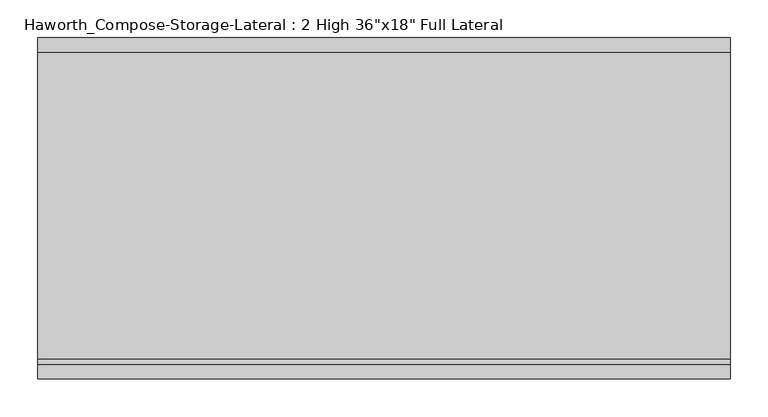
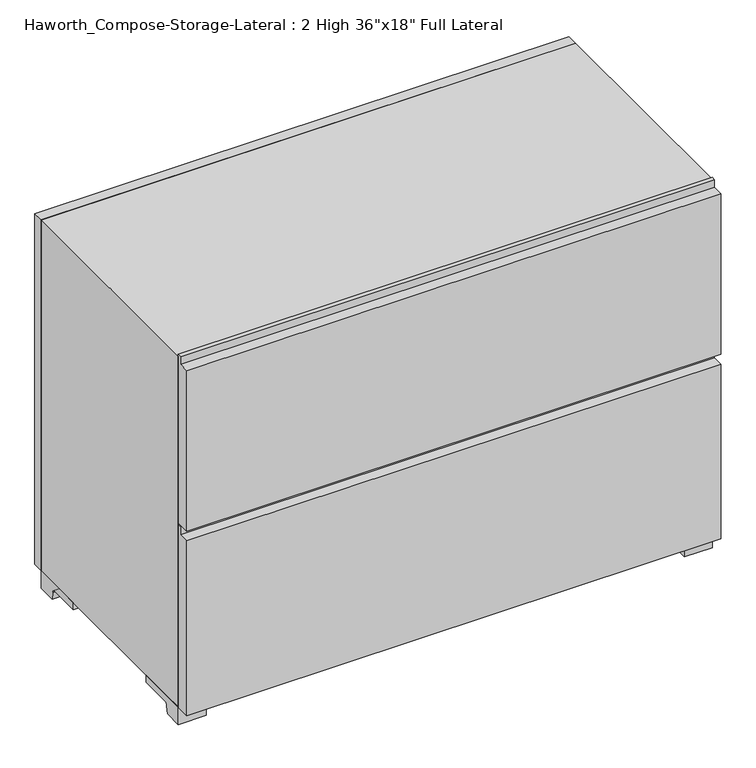
"""IFC4 building model written with IfcOpenShell, lengths in millimetres: furniture geometry."""

import ifcopenshell
import ifcopenshell.guid

model = None  # the IFC model being written
_history = None  # IfcOwnerHistory: only IFC2X3 demands one
_inside = {}  # id of a spatial element -> (the spatial element, [elements in it])
_under = {}  # id of a project, library or spatial element -> (it, [spatial elements below it])
_declared = {}  # id of a project -> (the project, [libraries it declares])
_typed = {}  # id of a type object -> (the type object, [elements of that type])
_made_of = {}  # id of a material, layer set ... -> (it, [elements and type objects made of it])


def new_model(schema):
    """Start an empty IFC model of exactly this schema.

    Asked for "IFC4X3", IfcOpenShell would pick the latest addendum, in which some entities
    have other attributes; the version numbers below select the first issue.
    IFC2X3 requires an IfcOwnerHistory on every rooted entity: one is made here for all.
    """
    global model, _history
    if schema == "IFC4X3":
        model = ifcopenshell.file(schema_version=(4, 3, 0, 0))
    else:
        model = ifcopenshell.file(schema=schema)
    _inside.clear()
    _under.clear()
    _declared.clear()
    _typed.clear()
    _made_of.clear()
    _history = None
    if model.schema == "IFC2X3":
        org = make("IfcOrganization", Name="unknown")
        user = make(
            "IfcPersonAndOrganization",
            ThePerson=make("IfcPerson", FamilyName="unknown"),
            TheOrganization=org,
        )
        app = make(
            "IfcApplication",
            ApplicationDeveloper=org,
            Version="unknown",
            ApplicationFullName="unknown",
            ApplicationIdentifier="unknown",
        )
        _history = make(
            "IfcOwnerHistory",
            OwningUser=user,
            OwningApplication=app,
            ChangeAction="ADDED",
            CreationDate=0,
        )
    return model


def make(cls, **values):
    """One entity of the class cls with the attributes given. An attribute that is None is left unset."""
    return model.create_entity(
        cls, **{name: value for name, value in values.items() if value is not None}
    )


def rooted(cls, **values):
    """An entity with a GlobalId (a new one), such as an element, a storey or a relation."""
    return make(cls, GlobalId=ifcopenshell.guid.new(), OwnerHistory=_history, **values)


def si_unit(unit_type, name, prefix=None):
    """IfcSIUnit, for example si_unit("LENGTHUNIT", "METRE", prefix="MILLI")."""
    return make("IfcSIUnit", UnitType=unit_type, Prefix=prefix, Name=name)


def assignment(units):
    """IfcUnitAssignment: the units of a project."""
    return None if units is None else make("IfcUnitAssignment", Units=units)


def point(xyz):
    """IfcCartesianPoint."""
    return None if xyz is None else make("IfcCartesianPoint", Coordinates=xyz)


def direction(xyz):
    """IfcDirection."""
    return None if xyz is None else make("IfcDirection", DirectionRatios=xyz)


def frame(location, z_axis=None, x_axis=None):
    """IfcAxis2Placement3D, a coordinate frame: its origin and axes. An axis left out is left unset."""
    return make(
        "IfcAxis2Placement3D",
        Location=point(location),
        Axis=direction(z_axis),
        RefDirection=direction(x_axis),
    )


def frame_2d(location, x_axis=None):
    """IfcAxis2Placement2D, a coordinate frame in the plane: its origin and x axis."""
    return make(
        "IfcAxis2Placement2D", Location=point(location), RefDirection=direction(x_axis)
    )


def origin():
    """The frame at (0, 0, 0) with its axes left unset."""
    return frame((0.0, 0.0, 0.0))


def place(relative_to, where):
    """IfcLocalPlacement: puts the frame where relative to a parent placement (None: the world)."""
    return make(
        "IfcLocalPlacement", PlacementRelTo=relative_to, RelativePlacement=where
    )


def context(
    kind, dimensions, precision=None, world=None, true_north=None, identifier=None
):
    """IfcGeometricRepresentationContext, for example the 3D "Model" context."""
    return make(
        "IfcGeometricRepresentationContext",
        ContextIdentifier=identifier,
        ContextType=kind,
        CoordinateSpaceDimension=dimensions,
        Precision=precision,
        WorldCoordinateSystem=world,
        TrueNorth=true_north,
    )


def project(units=None, contexts=None):
    """IfcProject with its units and contexts."""
    return rooted(
        "IfcProject",
        Name="project",
        RepresentationContexts=contexts,
        UnitsInContext=assignment(units),
    )


def spatial(cls, under=None, at=None, **own):
    """A site, building, storey or space (cls), placed at a placement, below another one or the project."""
    s = rooted(cls, ObjectPlacement=at, **own)
    if under is not None:
        _under.setdefault(under.id(), (under, []))[1].append(s)
    return s


def polyline(points):
    """IfcPolyline through the points."""
    return make("IfcPolyline", Points=[point(p) for p in points])


def circle_curve(where, radius):
    """IfcCircle in the frame where."""
    return make("IfcCircle", Position=where, Radius=radius)


def trimmed(basis, trim1, trim2, sense, master):
    """IfcTrimmedCurve: the piece of a basis curve between two trims."""
    return make(
        "IfcTrimmedCurve",
        BasisCurve=basis,
        Trim1=trim1,
        Trim2=trim2,
        SenseAgreement=sense,
        MasterRepresentation=master,
    )


def segment(curve, same_sense, transition):
    """IfcCompositeCurveSegment."""
    return make(
        "IfcCompositeCurveSegment",
        Transition=transition,
        SameSense=same_sense,
        ParentCurve=curve,
    )


def composite_curve(segments, self_intersect=None):
    """IfcCompositeCurve: segments joined end to end."""
    return make("IfcCompositeCurve", Segments=segments, SelfIntersect=self_intersect)


def outline(outer, holes=None, kind="AREA"):
    """IfcArbitraryClosedProfileDef: a profile drawn as a closed curve; with holes, ...WithVoids."""
    if holes is None:
        return make("IfcArbitraryClosedProfileDef", ProfileType=kind, OuterCurve=outer)
    return make(
        "IfcArbitraryProfileDefWithVoids",
        ProfileType=kind,
        OuterCurve=outer,
        InnerCurves=holes,
    )


def extrude(swept, where, along, depth):
    """IfcExtrudedAreaSolid: the profile swept, set in the frame where, extruded along a direction by depth."""
    return make(
        "IfcExtrudedAreaSolid",
        SweptArea=swept,
        Position=where,
        ExtrudedDirection=direction(along),
        Depth=depth,
    )


def shape(context_of_items, identifier, shape_type, items):
    """IfcShapeRepresentation: the items that make up one representation, for example the "Body"."""
    return make(
        "IfcShapeRepresentation",
        ContextOfItems=context_of_items,
        RepresentationIdentifier=identifier,
        RepresentationType=shape_type,
        Items=items,
    )


def source(mapping_origin, context_of_items, identifier, shape_type, items):
    """IfcRepresentationMap: a shape defined once, which mapped items show again and again."""
    return make(
        "IfcRepresentationMap",
        MappingOrigin=mapping_origin,
        MappedRepresentation=shape(context_of_items, identifier, shape_type, items),
    )


def transform(
    local_origin,
    x_axis=None,
    y_axis=None,
    z_axis=None,
    scale=None,
    scale2=None,
    scale3=None,
    uniform=True,
):
    """IfcCartesianTransformationOperator3D, or its non-uniform kind. x_axis, y_axis, z_axis: its Axis1, 2, 3."""
    if uniform:
        return make(
            "IfcCartesianTransformationOperator3D",
            Axis1=direction(x_axis),
            Axis2=direction(y_axis),
            LocalOrigin=point(local_origin),
            Scale=scale,
            Axis3=direction(z_axis),
        )
    return make(
        "IfcCartesianTransformationOperator3DnonUniform",
        Axis1=direction(x_axis),
        Axis2=direction(y_axis),
        LocalOrigin=point(local_origin),
        Scale=scale,
        Axis3=direction(z_axis),
        Scale2=scale2,
        Scale3=scale3,
    )


def mapped(mapping_source, mapping_target):
    """IfcMappedItem: shows the shape of a source again, moved by a transform."""
    return make(
        "IfcMappedItem", MappingSource=mapping_source, MappingTarget=mapping_target
    )


def made_of(thing, what):
    """Note that an element or type object is made of a material, layer set ...; save() writes the relation."""
    if what is not None:
        _made_of.setdefault(what.id(), (what, []))[1].append(thing)
    return thing


def element(
    cls,
    number,
    at=None,
    inside=None,
    cuts=None,
    type_object=None,
    material=None,
    context=None,
    identifier="Body",
    shape_type=None,
    held_by="IfcProductDefinitionShape",
    body=None,
    shapes=None,
    **own,
):
    """One element of the class cls, such as IfcWall. Its Tag is "e" and its number.

    at: its placement. inside: the storey or other place that contains it. cuts: it is an
    opening in that element (IfcRelVoidsElement). A single representation is given by context,
    identifier, shape_type and body (its items); several are given by shapes. held_by: the class
    of the entity that holds the representations. save() writes the other relations.
    """
    e = rooted(cls, Tag="e%d" % number, ObjectPlacement=at, **own)
    if body is not None:
        shapes = [shape(context, identifier, shape_type, body)]
    if shapes is not None:
        e.Representation = make(held_by, Representations=shapes)
    if inside is not None:
        _inside.setdefault(inside.id(), (inside, []))[1].append(e)
    if cuts is not None:
        rooted(
            "IfcRelVoidsElement", RelatingBuildingElement=cuts, RelatedOpeningElement=e
        )
    if type_object is not None:
        _typed.setdefault(type_object.id(), (type_object, []))[1].append(e)
    return made_of(e, material)


def aggregate(whole, parts):
    """IfcRelAggregates: a whole, such as a stair, and the parts it consists of."""
    return rooted("IfcRelAggregates", RelatingObject=whole, RelatedObjects=parts)


def save(model, path):
    """Write the relations noted so far, then the file.

    IfcRelAggregates (storeys below a building ...), IfcRelContainedInSpatialStructure (elements
    in a storey), IfcRelDefinesByType, IfcRelAssociatesMaterial and IfcRelDeclares: one each for
    every whole, place, type object, material and project.
    """
    for whole, parts in _under.values():
        aggregate(whole, parts)
    for where, things in _inside.values():
        rooted(
            "IfcRelContainedInSpatialStructure",
            RelatedElements=things,
            RelatingStructure=where,
        )
    for kind, things in _typed.values():
        rooted("IfcRelDefinesByType", RelatedObjects=things, RelatingType=kind)
    for what, things in _made_of.values():
        rooted("IfcRelAssociatesMaterial", RelatedObjects=things, RelatingMaterial=what)
    for by, libraries in _declared.values():
        rooted("IfcRelDeclares", RelatingContext=by, RelatedDefinitions=libraries)
    model.write(path)


def furniture_8769e1ba(model_context):
    return source(origin(), model_context, "Body", "SweptSolid", [
        extrude(outline(polyline([(-152.4, 365.125), (-177.8, 365.125), (-177.8, 655.6375), (-158.75, 655.6375), (-158.75, 669.925), (-152.4, 669.925), (-152.4, 365.125)])), frame((-457.1861094, 0.0, 0.0), z_axis=(1.0, 0.0, 0.0), x_axis=(0.0, 1.0, 0.0)), (0.0, 0.0, 1.0), 914.4),
        extrude(outline(polyline([(-152.4, 31.75), (-177.8, 31.75), (-177.8, 347.6625), (-158.75, 347.6625), (-158.75, 361.95), (-152.4, 361.95), (-152.4, 31.75)])), frame((-457.1861094, 0.0, 0.0), z_axis=(1.0, 0.0, 0.0), x_axis=(0.0, 1.0, 0.0)), (0.0, 0.0, 1.0), 914.4),
        extrude(outline(composite_curve([segment(polyline([(-120.65, 0.0), (-152.4, 0.0), (-152.4, 31.75), (-57.15, 31.75), (-57.15, 19.05), (-112.1833333, 19.05)]), True, "CONTINUOUS"), segment(trimmed(circle_curve(frame_2d((-112.1833333, 12.7)), 6.35), [point((-112.1833333, 19.05))], [point((-118.5333333, 12.7))], True, "CARTESIAN"), True, "CONTINUOUS"), segment(polyline([(-118.5333333, 12.7), (-120.65, 0.0)]), True, "CONTINUOUS")], self_intersect=False)), frame((409.5888906, 0.0, 0.0), z_axis=(1.0, 0.0, 0.0), x_axis=(0.0, 1.0, 0.0)), (0.0, 0.0, 1.0), 47.625),
        extrude(outline(composite_curve([segment(polyline([(222.25, 0.0), (220.1333333, 12.7)]), True, "CONTINUOUS"), segment(trimmed(circle_curve(frame_2d((213.7833333, 12.7)), 6.35), [point((220.1333333, 12.7))], [point((213.7833333, 19.05))], True, "CARTESIAN"), True, "CONTINUOUS"), segment(polyline([(213.7833333, 19.05), (158.75, 19.05), (158.75, 31.75), (254.0, 31.75), (254.0, 0.0), (222.25, 0.0)]), True, "CONTINUOUS")], self_intersect=False)), frame((409.5888906, 0.0, 0.0), z_axis=(1.0, 0.0, 0.0), x_axis=(0.0, 1.0, 0.0)), (0.0, 0.0, 1.0), 47.625),
        extrude(outline(composite_curve([segment(polyline([(-120.65, 0.0), (-152.4, 0.0), (-152.4, 31.75), (-57.15, 31.75), (-57.15, 19.05), (-112.1833333, 19.05)]), True, "CONTINUOUS"), segment(trimmed(circle_curve(frame_2d((-112.1833333, 12.7)), 6.35), [point((-112.1833333, 19.05))], [point((-118.5333333, 12.7))], True, "CARTESIAN"), True, "CONTINUOUS"), segment(polyline([(-118.5333333, 12.7), (-120.65, 0.0)]), True, "CONTINUOUS")], self_intersect=False)), frame((-457.1861094, 0.0, 0.0), z_axis=(1.0, 0.0, 0.0), x_axis=(0.0, 1.0, 0.0)), (0.0, 0.0, 1.0), 47.625),
        extrude(outline(composite_curve([segment(polyline([(222.25, 0.0), (220.1333333, 12.7)]), True, "CONTINUOUS"), segment(trimmed(circle_curve(frame_2d((213.7833333, 12.7)), 6.35), [point((220.1333333, 12.7))], [point((213.7833333, 19.05))], True, "CARTESIAN"), True, "CONTINUOUS"), segment(polyline([(213.7833333, 19.05), (158.75, 19.05), (158.75, 31.75), (254.0, 31.75), (254.0, 0.0), (222.25, 0.0)]), True, "CONTINUOUS")], self_intersect=False)), frame((-457.1861094, 0.0, 0.0), z_axis=(1.0, 0.0, 0.0), x_axis=(0.0, 1.0, 0.0)), (0.0, 0.0, 1.0), 47.625),
        extrude(outline(polyline([(457.2138906, 254.0), (-457.1861094, 254.0), (-457.1861094, 273.05), (457.2138906, 273.05), (457.2138906, 254.0)])), frame((0.0, 0.0, 31.75), z_axis=(0.0, 0.0, 1.0), x_axis=(1.0, 0.0, 0.0)), (0.0, 0.0, 1.0), 635.0),
        extrude(outline(polyline([(31.75, -457.1861094), (31.75, 457.2), (666.75, 457.2), (666.75, -457.1861094), (31.75, -457.1861094)]), holes=[polyline([(50.8, -438.1361094), (647.7, -438.1361094), (647.7, 438.1361094), (50.8, 438.1361094), (50.8, -438.1361094)])]), frame((0.0, -152.4, 0.0), z_axis=(0.0, 1.0, 0.0), x_axis=(0.0, 0.0, 1.0)), (0.0, 0.0, 1.0), 406.4),
        extrude(outline(polyline([(-438.1291641, 219.075), (-438.1291641, 228.6), (438.1569453, 228.6), (438.1569453, 219.075), (-438.1291641, 219.075)])), frame((0.0, 0.0, 50.8), z_axis=(0.0, 0.0, 1.0), x_axis=(1.0, 0.0, 0.0)), (0.0, 0.0, 1.0), 596.9),
    ])


if __name__ == "__main__":
    model = new_model("IFC4")
    model_context = context("Model", 3, world=origin())
    ifc_project = project(units=[si_unit("LENGTHUNIT", "METRE", prefix="MILLI")], contexts=[model_context])
    site = spatial("IfcSite", under=ifc_project)
    building = spatial("IfcBuilding", under=site)
    placement = place(None, origin())
    furniture_shape = furniture_8769e1ba(model_context)
    element("IfcFurniture", 1, ObjectType="Haworth_Compose-Storage-Lateral : 2 High 36\"x18\" Full Lateral", at=placement, inside=building, context=model_context, shape_type="MappedRepresentation", body=[
        mapped(furniture_shape, transform((0.0, 0.0, 0.0), x_axis=(1.0, 0.0, 0.0), y_axis=(0.0, 1.0, 0.0), z_axis=(0.0, 0.0, 1.0))),
    ])
    save(model, "model.ifc")
